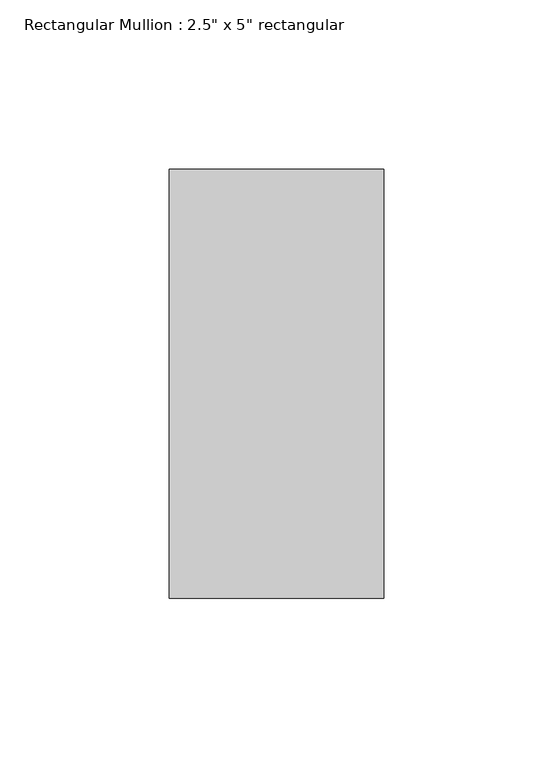
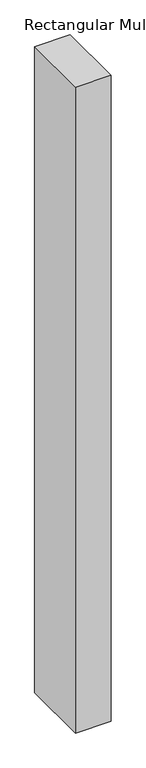
"""IFC4 building model written with IfcOpenShell, lengths in millimetres: member geometry."""

from ifc_helpers import new_model, si_unit, frame, origin, place, context, project, spatial, polyline, outline, extrude, source, transform, mapped, element, save


def member_82d0df62(model_context):
    return source(origin(), model_context, "Body", "SweptSolid", [
        extrude(outline(polyline([(31.75, 63.5), (31.75, -63.5), (-31.75, -63.5), (-31.75, 63.5), (31.75, 63.5)])), frame((0.0, 0.0, -1225.5500001), z_axis=(0.0, 0.0, 1.0), x_axis=(1.0, 0.0, 0.0)), (0.0, 0.0, 1.0), 1225.5500001),
    ])


if __name__ == "__main__":
    model = new_model("IFC4")
    model_context = context("Model", 3, world=origin())
    ifc_project = project(units=[si_unit("LENGTHUNIT", "METRE", prefix="MILLI")], contexts=[model_context])
    site = spatial("IfcSite", under=ifc_project)
    building = spatial("IfcBuilding", under=site)
    placement = place(None, origin())
    member_shape = member_82d0df62(model_context)
    element("IfcMember", 1, ObjectType="Rectangular Mullion : 2.5\" x 5\" rectangular", at=placement, inside=building, context=model_context, shape_type="MappedRepresentation", body=[
        mapped(member_shape, transform((0.0, 0.0, 0.0), x_axis=(1.0, 0.0, 0.0), y_axis=(0.0, 1.0, 0.0), z_axis=(0.0, 0.0, 1.0))),
    ])
    save(model, "model.ifc")
